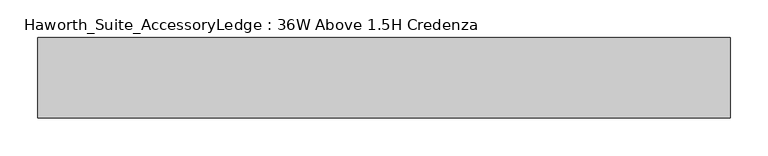
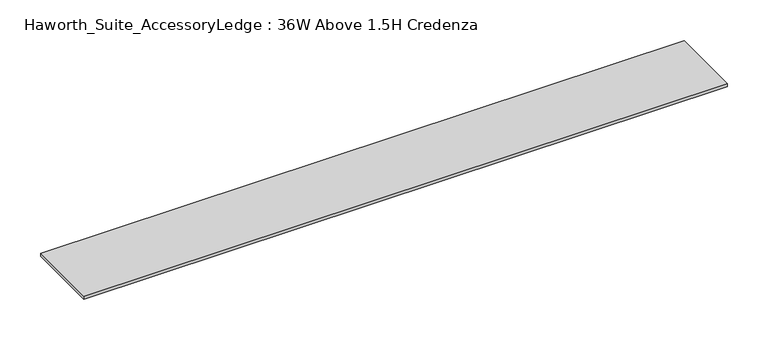
"""IFC4 building model written with IfcOpenShell, lengths in millimetres: furniture geometry, Haworth_Suite_AccessoryLedge : 36W Above 1.5H Credenza."""

from ifc_helpers import new_model, si_unit, frame, origin, place, context, project, spatial, polyline, outline, extrude, source, transform, mapped, element, save


def haworth_suite_accessoryledge_36w_above_1_5h_credenza_84fe6e95(model_context):
    return source(origin(), model_context, "Body", "SweptSolid", [
        extrude(outline(polyline([(444.5, -14.2875), (444.5, -120.65), (-469.9, -120.65), (-469.9, -14.2875), (444.5, -14.2875)])), frame((0.0, 0.0, 835.81875), z_axis=(0.0, 0.0, 1.0), x_axis=(1.0, 0.0, 0.0)), (0.0, 0.0, 1.0), 4.7625),
    ])


if __name__ == "__main__":
    model = new_model("IFC4")
    model_context = context("Model", 3, world=origin())
    ifc_project = project(units=[si_unit("LENGTHUNIT", "METRE", prefix="MILLI")], contexts=[model_context])
    site = spatial("IfcSite", under=ifc_project)
    building = spatial("IfcBuilding", under=site)
    placement = place(None, origin())
    haworth_suite_accessoryledge_36w_above_1_5h_credenza_shape = haworth_suite_accessoryledge_36w_above_1_5h_credenza_84fe6e95(model_context)
    element("IfcFurniture", 1, ObjectType="Haworth_Suite_AccessoryLedge : 36W Above 1.5H Credenza", at=placement, inside=building, context=model_context, shape_type="MappedRepresentation", body=[
        mapped(haworth_suite_accessoryledge_36w_above_1_5h_credenza_shape, transform((0.0, 0.0, 0.0), x_axis=(1.0, 0.0, 0.0), y_axis=(0.0, 1.0, 0.0), z_axis=(0.0, 0.0, 1.0))),
    ])
    save(model, "model.ifc")
